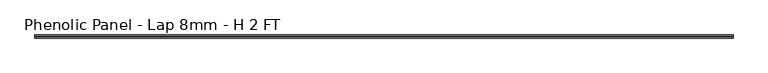
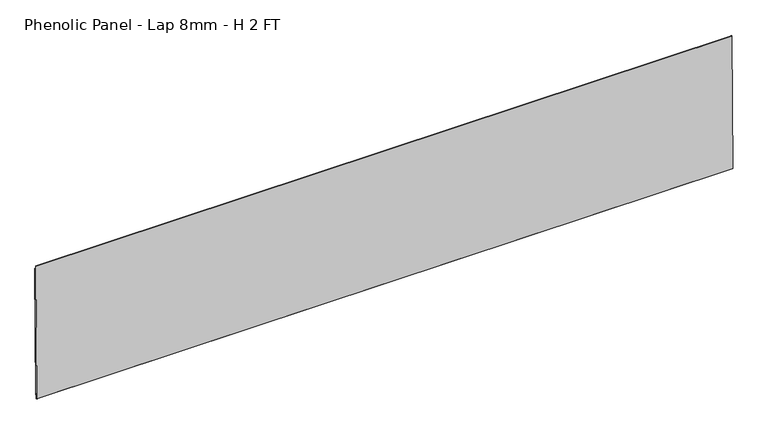
"""IFC4 building model written with IfcOpenShell, lengths in millimetres: proxy geometry, Phenolic Panel - Lap 8mm - H 2 FT."""

import ifcopenshell
import ifcopenshell.guid

model = None  # the IFC model being written
_history = None  # IfcOwnerHistory: only IFC2X3 demands one
_inside = {}  # id of a spatial element -> (the spatial element, [elements in it])
_under = {}  # id of a project, library or spatial element -> (it, [spatial elements below it])
_declared = {}  # id of a project -> (the project, [libraries it declares])
_typed = {}  # id of a type object -> (the type object, [elements of that type])
_made_of = {}  # id of a material, layer set ... -> (it, [elements and type objects made of it])


def new_model(schema):
    """Start an empty IFC model of exactly this schema.

    Asked for "IFC4X3", IfcOpenShell would pick the latest addendum, in which some entities
    have other attributes; the version numbers below select the first issue.
    IFC2X3 requires an IfcOwnerHistory on every rooted entity: one is made here for all.
    """
    global model, _history
    if schema == "IFC4X3":
        model = ifcopenshell.file(schema_version=(4, 3, 0, 0))
    else:
        model = ifcopenshell.file(schema=schema)
    _inside.clear()
    _under.clear()
    _declared.clear()
    _typed.clear()
    _made_of.clear()
    _history = None
    if model.schema == "IFC2X3":
        org = make("IfcOrganization", Name="unknown")
        user = make(
            "IfcPersonAndOrganization",
            ThePerson=make("IfcPerson", FamilyName="unknown"),
            TheOrganization=org,
        )
        app = make(
            "IfcApplication",
            ApplicationDeveloper=org,
            Version="unknown",
            ApplicationFullName="unknown",
            ApplicationIdentifier="unknown",
        )
        _history = make(
            "IfcOwnerHistory",
            OwningUser=user,
            OwningApplication=app,
            ChangeAction="ADDED",
            CreationDate=0,
        )
    return model


def make(cls, **values):
    """One entity of the class cls with the attributes given. An attribute that is None is left unset."""
    return model.create_entity(
        cls, **{name: value for name, value in values.items() if value is not None}
    )


def rooted(cls, **values):
    """An entity with a GlobalId (a new one), such as an element, a storey or a relation."""
    return make(cls, GlobalId=ifcopenshell.guid.new(), OwnerHistory=_history, **values)


def si_unit(unit_type, name, prefix=None):
    """IfcSIUnit, for example si_unit("LENGTHUNIT", "METRE", prefix="MILLI")."""
    return make("IfcSIUnit", UnitType=unit_type, Prefix=prefix, Name=name)


def assignment(units):
    """IfcUnitAssignment: the units of a project."""
    return None if units is None else make("IfcUnitAssignment", Units=units)


def point(xyz):
    """IfcCartesianPoint."""
    return None if xyz is None else make("IfcCartesianPoint", Coordinates=xyz)


def direction(xyz):
    """IfcDirection."""
    return None if xyz is None else make("IfcDirection", DirectionRatios=xyz)


def frame(location, z_axis=None, x_axis=None):
    """IfcAxis2Placement3D, a coordinate frame: its origin and axes. An axis left out is left unset."""
    return make(
        "IfcAxis2Placement3D",
        Location=point(location),
        Axis=direction(z_axis),
        RefDirection=direction(x_axis),
    )


def origin():
    """The frame at (0, 0, 0) with its axes left unset."""
    return frame((0.0, 0.0, 0.0))


def place(relative_to, where):
    """IfcLocalPlacement: puts the frame where relative to a parent placement (None: the world)."""
    return make(
        "IfcLocalPlacement", PlacementRelTo=relative_to, RelativePlacement=where
    )


def context(
    kind, dimensions, precision=None, world=None, true_north=None, identifier=None
):
    """IfcGeometricRepresentationContext, for example the 3D "Model" context."""
    return make(
        "IfcGeometricRepresentationContext",
        ContextIdentifier=identifier,
        ContextType=kind,
        CoordinateSpaceDimension=dimensions,
        Precision=precision,
        WorldCoordinateSystem=world,
        TrueNorth=true_north,
    )


def project(units=None, contexts=None):
    """IfcProject with its units and contexts."""
    return rooted(
        "IfcProject",
        Name="project",
        RepresentationContexts=contexts,
        UnitsInContext=assignment(units),
    )


def spatial(cls, under=None, at=None, **own):
    """A site, building, storey or space (cls), placed at a placement, below another one or the project."""
    s = rooted(cls, ObjectPlacement=at, **own)
    if under is not None:
        _under.setdefault(under.id(), (under, []))[1].append(s)
    return s


def polyline(points):
    """IfcPolyline through the points."""
    return make("IfcPolyline", Points=[point(p) for p in points])


def outline(outer, holes=None, kind="AREA"):
    """IfcArbitraryClosedProfileDef: a profile drawn as a closed curve; with holes, ...WithVoids."""
    if holes is None:
        return make("IfcArbitraryClosedProfileDef", ProfileType=kind, OuterCurve=outer)
    return make(
        "IfcArbitraryProfileDefWithVoids",
        ProfileType=kind,
        OuterCurve=outer,
        InnerCurves=holes,
    )


def extrude(swept, where, along, depth):
    """IfcExtrudedAreaSolid: the profile swept, set in the frame where, extruded along a direction by depth."""
    return make(
        "IfcExtrudedAreaSolid",
        SweptArea=swept,
        Position=where,
        ExtrudedDirection=direction(along),
        Depth=depth,
    )


def shape(context_of_items, identifier, shape_type, items):
    """IfcShapeRepresentation: the items that make up one representation, for example the "Body"."""
    return make(
        "IfcShapeRepresentation",
        ContextOfItems=context_of_items,
        RepresentationIdentifier=identifier,
        RepresentationType=shape_type,
        Items=items,
    )


def source(mapping_origin, context_of_items, identifier, shape_type, items):
    """IfcRepresentationMap: a shape defined once, which mapped items show again and again."""
    return make(
        "IfcRepresentationMap",
        MappingOrigin=mapping_origin,
        MappedRepresentation=shape(context_of_items, identifier, shape_type, items),
    )


def transform(
    local_origin,
    x_axis=None,
    y_axis=None,
    z_axis=None,
    scale=None,
    scale2=None,
    scale3=None,
    uniform=True,
):
    """IfcCartesianTransformationOperator3D, or its non-uniform kind. x_axis, y_axis, z_axis: its Axis1, 2, 3."""
    if uniform:
        return make(
            "IfcCartesianTransformationOperator3D",
            Axis1=direction(x_axis),
            Axis2=direction(y_axis),
            LocalOrigin=point(local_origin),
            Scale=scale,
            Axis3=direction(z_axis),
        )
    return make(
        "IfcCartesianTransformationOperator3DnonUniform",
        Axis1=direction(x_axis),
        Axis2=direction(y_axis),
        LocalOrigin=point(local_origin),
        Scale=scale,
        Axis3=direction(z_axis),
        Scale2=scale2,
        Scale3=scale3,
    )


def mapped(mapping_source, mapping_target):
    """IfcMappedItem: shows the shape of a source again, moved by a transform."""
    return make(
        "IfcMappedItem", MappingSource=mapping_source, MappingTarget=mapping_target
    )


def made_of(thing, what):
    """Note that an element or type object is made of a material, layer set ...; save() writes the relation."""
    if what is not None:
        _made_of.setdefault(what.id(), (what, []))[1].append(thing)
    return thing


def element(
    cls,
    number,
    at=None,
    inside=None,
    cuts=None,
    type_object=None,
    material=None,
    context=None,
    identifier="Body",
    shape_type=None,
    held_by="IfcProductDefinitionShape",
    body=None,
    shapes=None,
    **own,
):
    """One element of the class cls, such as IfcWall. Its Tag is "e" and its number.

    at: its placement. inside: the storey or other place that contains it. cuts: it is an
    opening in that element (IfcRelVoidsElement). A single representation is given by context,
    identifier, shape_type and body (its items); several are given by shapes. held_by: the class
    of the entity that holds the representations. save() writes the other relations.
    """
    e = rooted(cls, Tag="e%d" % number, ObjectPlacement=at, **own)
    if body is not None:
        shapes = [shape(context, identifier, shape_type, body)]
    if shapes is not None:
        e.Representation = make(held_by, Representations=shapes)
    if inside is not None:
        _inside.setdefault(inside.id(), (inside, []))[1].append(e)
    if cuts is not None:
        rooted(
            "IfcRelVoidsElement", RelatingBuildingElement=cuts, RelatedOpeningElement=e
        )
    if type_object is not None:
        _typed.setdefault(type_object.id(), (type_object, []))[1].append(e)
    return made_of(e, material)


def aggregate(whole, parts):
    """IfcRelAggregates: a whole, such as a stair, and the parts it consists of."""
    return rooted("IfcRelAggregates", RelatingObject=whole, RelatedObjects=parts)


def save(model, path):
    """Write the relations noted so far, then the file.

    IfcRelAggregates (storeys below a building ...), IfcRelContainedInSpatialStructure (elements
    in a storey), IfcRelDefinesByType, IfcRelAssociatesMaterial and IfcRelDeclares: one each for
    every whole, place, type object, material and project.
    """
    for whole, parts in _under.values():
        aggregate(whole, parts)
    for where, things in _inside.values():
        rooted(
            "IfcRelContainedInSpatialStructure",
            RelatedElements=things,
            RelatingStructure=where,
        )
    for kind, things in _typed.values():
        rooted("IfcRelDefinesByType", RelatedObjects=things, RelatingType=kind)
    for what, things in _made_of.values():
        rooted("IfcRelAssociatesMaterial", RelatedObjects=things, RelatingMaterial=what)
    for by, libraries in _declared.values():
        rooted("IfcRelDeclares", RelatingContext=by, RelatedDefinitions=libraries)
    model.write(path)


def phenolic_panel_lap_8mm_h_2_ft_44b0cf61(model_context):
    return source(origin(), model_context, "Body", "SweptSolid", [
        extrude(outline(polyline([(2.7732555, 593.6735917), (-2.7736212, 15.850215), (-5.1547614, 15.873073), (-5.0785681, 23.8102073), (-7.6581367, 23.8349701), (-7.8867168, 0.0235672), (-9.8571575, 0.0424827), (-10.8534851, 1.0581244), (-5.0211492, 608.618069), (-4.0055075, 609.6143966), (-2.6240021, 609.6011347), (-2.7763888, 593.7268661), (2.7732555, 593.6735917)])), frame((-1819.275, 0.0, 0.0), z_axis=(1.0, 0.0, 0.0), x_axis=(0.0, 1.0, 0.0)), (0.0, 0.0, 1.0), 3038.475),
    ])


if __name__ == "__main__":
    model = new_model("IFC4")
    model_context = context("Model", 3, world=origin())
    ifc_project = project(units=[si_unit("LENGTHUNIT", "METRE", prefix="MILLI")], contexts=[model_context])
    site = spatial("IfcSite", under=ifc_project)
    building = spatial("IfcBuilding", under=site)
    placement = place(None, origin())
    phenolic_panel_lap_8mm_h_2_ft_shape = phenolic_panel_lap_8mm_h_2_ft_44b0cf61(model_context)
    element("IfcBuildingElementProxy", 1, Name="Phenolic Panel - Lap 8mm - H 2 FT", ObjectType="Phenolic Panel - Lap 8mm - H 2 FT", at=placement, inside=building, context=model_context, shape_type="MappedRepresentation", body=[
        mapped(phenolic_panel_lap_8mm_h_2_ft_shape, transform((0.0, 0.0, 0.0), x_axis=(1.0, 0.0, 0.0), y_axis=(0.0, 1.0, 0.0), z_axis=(0.0, 0.0, 1.0))),
    ])
    save(model, "model.ifc")
